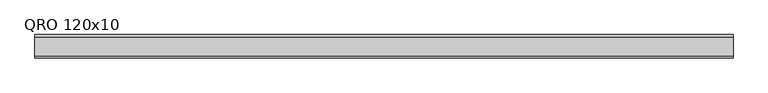
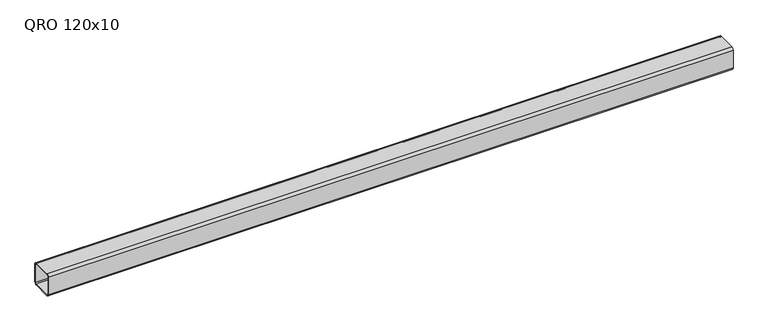
"""IFC4 building model written with IfcOpenShell, lengths in millimetres: beam geometry, QRO 120x10."""

from ifc_helpers import new_model, si_unit, point, frame, frame_2d, origin, place, context, project, spatial, polyline, circle_curve, trimmed, segment, composite_curve, outline, extrude, source, transform, mapped, element, save


def qro_120x10_1c39de48(model_context):
    return source(origin(), model_context, "Body", "SweptSolid", [
        extrude(outline(composite_curve([segment(polyline([(60.0, 48.0), (60.0, -48.0)]), True, "CONTINUOUS"), segment(trimmed(circle_curve(frame_2d((48.0, -48.0)), 12.0), [point((60.0, -48.0))], [point((48.0, -60.0))], False, "CARTESIAN"), True, "CONTINUOUS"), segment(polyline([(48.0, -60.0), (-48.0, -60.0)]), True, "CONTINUOUS"), segment(trimmed(circle_curve(frame_2d((-48.0, -48.0)), 12.0), [point((-48.0, -60.0))], [point((-60.0, -48.0))], False, "CARTESIAN"), True, "CONTINUOUS"), segment(polyline([(-60.0, -48.0), (-60.0, 48.0)]), True, "CONTINUOUS"), segment(trimmed(circle_curve(frame_2d((-48.0, 48.0)), 12.0), [point((-60.0, 48.0))], [point((-48.0, 60.0))], False, "CARTESIAN"), True, "CONTINUOUS"), segment(polyline([(-48.0, 60.0), (48.0, 60.0)]), True, "CONTINUOUS"), segment(trimmed(circle_curve(frame_2d((48.0, 48.0)), 12.0), [point((48.0, 60.0))], [point((60.0, 48.0))], False, "CARTESIAN"), True, "CONTINUOUS")], self_intersect=False), holes=[composite_curve([segment(trimmed(circle_curve(frame_2d((-48.0, 48.0)), 6.0), [point((-48.0, 54.0))], [point((-54.0, 48.0))], True, "CARTESIAN"), True, "CONTINUOUS"), segment(polyline([(-54.0, 48.0), (-54.0, -48.0)]), True, "CONTINUOUS"), segment(trimmed(circle_curve(frame_2d((-48.0, -48.0)), 6.0), [point((-54.0, -48.0))], [point((-48.0, -54.0))], True, "CARTESIAN"), True, "CONTINUOUS"), segment(polyline([(-48.0, -54.0), (48.0, -54.0)]), True, "CONTINUOUS"), segment(trimmed(circle_curve(frame_2d((48.0, -48.0)), 6.0), [point((48.0, -54.0))], [point((54.0, -48.0))], True, "CARTESIAN"), True, "CONTINUOUS"), segment(polyline([(54.0, -48.0), (54.0, 48.0)]), True, "CONTINUOUS"), segment(trimmed(circle_curve(frame_2d((48.0, 48.0)), 6.0), [point((54.0, 48.0))], [point((48.0, 54.0))], True, "CARTESIAN"), True, "CONTINUOUS"), segment(polyline([(48.0, 54.0), (-48.0, 54.0)]), True, "CONTINUOUS")], self_intersect=False)]), frame((-1736.2393799, 0.0, 0.0), z_axis=(1.0, 0.0, 0.0), x_axis=(0.0, 1.0, 0.0)), (0.0, 0.0, 1.0), 3551.6875597),
    ])


if __name__ == "__main__":
    model = new_model("IFC4")
    model_context = context("Model", 3, world=origin())
    ifc_project = project(units=[si_unit("LENGTHUNIT", "METRE", prefix="MILLI")], contexts=[model_context])
    site = spatial("IfcSite", under=ifc_project)
    building = spatial("IfcBuilding", under=site)
    placement = place(None, origin())
    qro_120x10_shape = qro_120x10_1c39de48(model_context)
    element("IfcBeam", 1, ObjectType="QRO 120x10", at=placement, inside=building, context=model_context, shape_type="MappedRepresentation", body=[
        mapped(qro_120x10_shape, transform((0.0, 0.0, 0.0), x_axis=(1.0, 0.0, 0.0), y_axis=(0.0, 1.0, 0.0), z_axis=(0.0, 0.0, 1.0))),
    ])
    save(model, "model.ifc")
